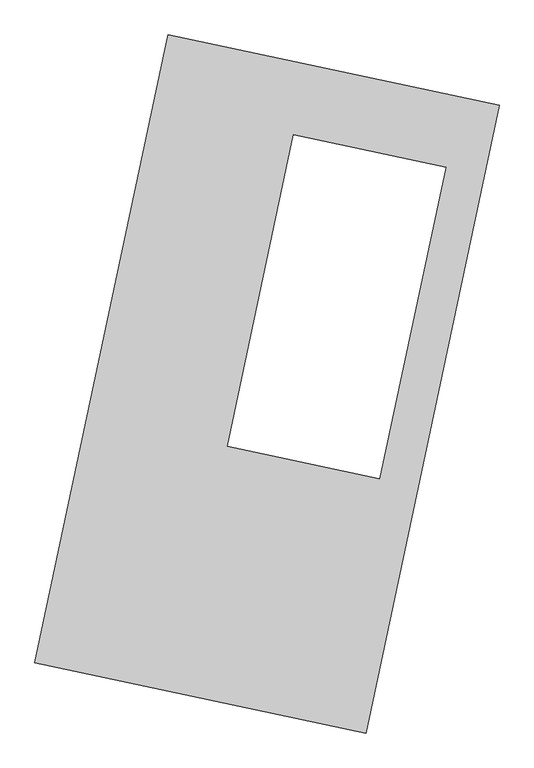
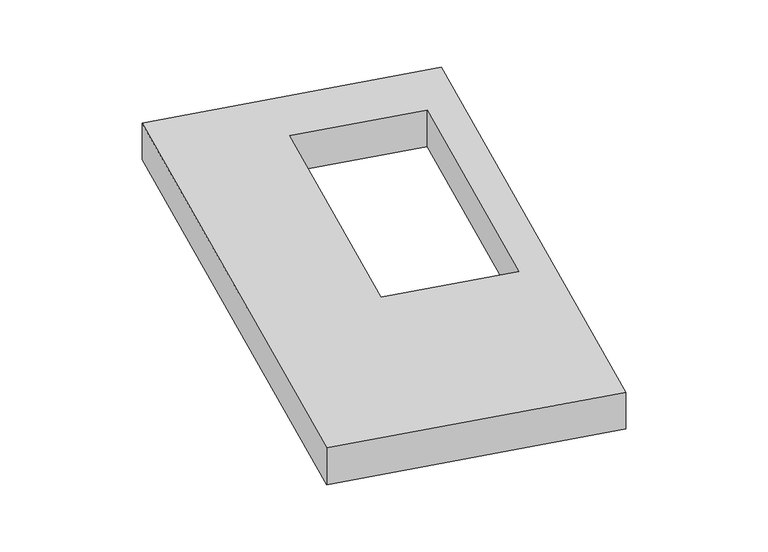
"""IFC4 building model written with IfcOpenShell, lengths in millimetres: proxy geometry."""

from ifc_helpers import new_model, si_unit, origin, origin_with_axes, place, context, project, spatial, polyline, outline, extrude, source, transform, mapped, element, save


def generic_models_19a42928(model_context):
    return source(origin(), model_context, "Body", "SweptSolid", [
        extrude(outline(polyline([(-617.3692021, 2175.5580432), (1447.7508745, 1737.3010494), (617.3692021, -2175.5580432), (-1447.7508745, -1737.3010494), (-617.3692021, 2175.5580432)]), holes=[polyline([(1114.4875621, 1351.9003073), (165.6571713, 1553.2598115), (-246.5629515, -389.1713735), (702.2674392, -590.5308777), (1114.4875621, 1351.9003073)])]), origin_with_axes(), (0.0, 0.0, 1.0), 300.0),
    ])


if __name__ == "__main__":
    model = new_model("IFC4")
    model_context = context("Model", 3, world=origin())
    ifc_project = project(units=[si_unit("LENGTHUNIT", "METRE", prefix="MILLI")], contexts=[model_context])
    site = spatial("IfcSite", under=ifc_project)
    building = spatial("IfcBuilding", under=site)
    placement = place(None, origin())
    generic_models_shape = generic_models_19a42928(model_context)
    element("IfcBuildingElementProxy", 1, Name="Generic Models", at=placement, inside=building, context=model_context, shape_type="MappedRepresentation", body=[
        mapped(generic_models_shape, transform((0.0, 0.0, 0.0), x_axis=(1.0, 0.0, 0.0), y_axis=(0.0, 1.0, 0.0), z_axis=(0.0, 0.0, 1.0))),
    ])
    save(model, "model.ifc")
